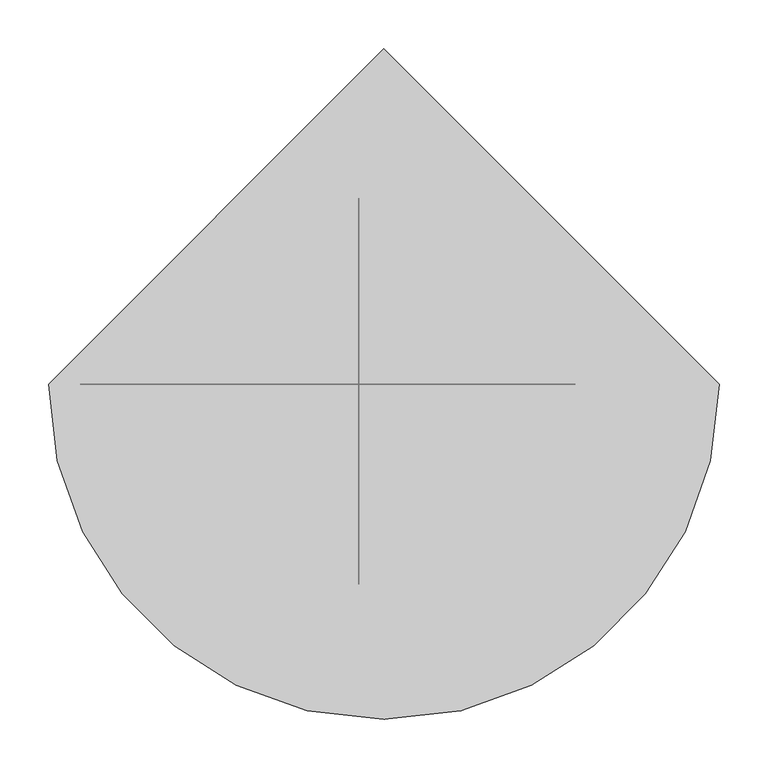
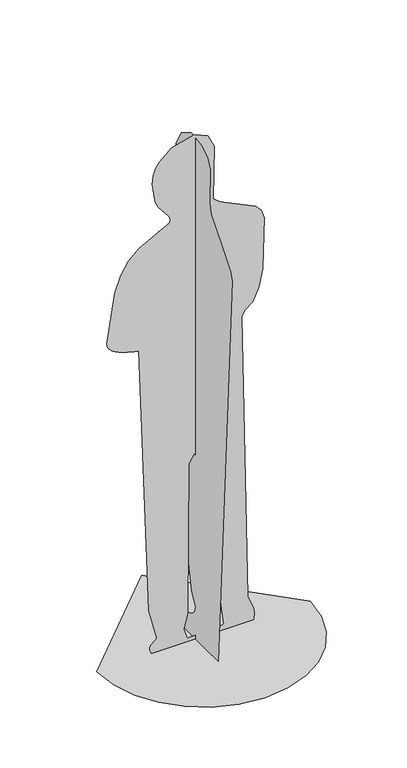
"""IFC4 building model written with IfcOpenShell, lengths in millimetres: proxy geometry."""

from ifc_helpers import new_model, si_unit, origin, place, context, project, spatial, triangles, source, transform, mapped, element, save


def entourage_b993872a(model_context):
    return source(origin(), model_context, "Body", "Tessellation", [
        triangles([(-345.573347, 0.0, 0.0), (-336.4374584, -79.1825669, 0.0), (-310.4187704, -151.8990767, 0.0), (-269.6004589, -216.0661539, 0.0), (-216.066172, -269.6005134, 0.0), (-151.8990404, -310.4186977, 0.0), (-79.1825214, -336.4374584, 0.0), (1.51e-05, -345.573347, 0.0), (79.1825669, -336.4374948, 0.0), (151.8990949, -310.4187704, 0.0), (216.066172, -269.6004589, 0.0), (269.6005497, -216.066172, 0.0), (310.4187341, -151.8990313, 0.0), (336.4374584, -79.1825124, 0.0), (345.573347, 3.02e-05, 0.0), (-4.53e-05, 345.573347, 0.0), (-25.7803736, -206.1899217, 1348.8143269), (-25.7803736, -197.5854142, 1374.9574986), (-25.7803736, -143.9298684, 1440.4184738), (-25.7803736, -88.05202, 1504.3168991), (-25.7803736, -79.0557759, 1537.7609333), (-25.7803736, -83.3728907, 1655.4473545), (-25.7803736, -70.0857384, 1687.5613827), (-25.7803736, -36.8546999, 1709.6673008), (-25.7803736, 23.8686421, 1717.8960136), (-25.7803736, 79.9019452, 1684.0297668), (-25.7803736, 106.2360118, 1634.142841), (-25.7803736, 109.3286011, 1576.3380844), (-25.7803736, 95.6374854, 1518.7182003), (-25.7803736, 71.6205057, 1469.3866184), (-25.7803736, 43.7353846, 1436.4461872), (-25.7803736, 18.4399412, 1427.9996098), (-25.7803736, 12.9047435, 1418.4009224), (-25.7803736, 17.9030508, 1403.9010807), (-25.7803736, 100.3159608, 1305.1854492), (-25.7803736, 139.842309, 1319.3020294), (-25.7803736, 147.315572, 1313.5249111), (-25.7803736, 153.4762243, 1298.3658073), (-25.7803736, 159.5451307, 1229.1764259), (-25.7803736, 155.9178449, 1209.0693684), (-25.7803736, 148.7092278, 1195.8703194), (-25.7803736, 191.504826, 912.7647074), (-25.7803736, 185.9814895, 822.2163826), (-25.7803736, 168.0754422, 726.4065331), (-25.7803736, 163.1485263, 723.9994125), (-25.7803736, 157.8331894, 724.046212), (-25.7803736, 131.3724045, 737.6998117), (-25.7803736, 21.4175676, 149.8942845), (-25.7803736, -1.3232623, 110.9246065), (-25.7803736, 4.0590821, 90.9092766), (-25.7803736, 18.2062163, 77.7815623), (-25.7803736, 83.2378789, 46.7363551), (-25.7803736, 102.4456818, 28.1714091), (-25.7803736, 115.4190178, 0.0001939), (-25.7803736, -127.8900771, 0.0001939), (-47.668225, 5.01e-05, 607.395011), (-50.5685567, 7.96e-05, 98.4131154), (-63.1405001, 8.25e-05, 45.9886764), (-51.8472486, 8.45e-05, 12.1089243), (63.7440288, 8.33e-05, 17.5652989), (66.5309181, 8.31e-05, 21.3655654), (-8.22783, 5.05e-05, 609.0642042), (-29.2607458, 4.73e-05, 636.0607395), (-172.7834033, 8.44e-05, 13.4467617), (-173.6617109, 8.39e-05, 22.9478612), (-170.9382761, 8.35e-05, 29.5787927), (-154.6520064, 8.27e-05, 43.0000098), (-151.0160274, 8.23e-05, 48.9000357), (-176.6023381, 7.63e-05, 150.4511818), (-208.3970726, 2.09e-05, 1050.4172064), (-216.4833159, 2.08e-05, 1051.9028715), (-226.3936303, 2.06e-05, 1053.8485376), (-237.6115502, 2.05e-05, 1056.3366125), (-249.6204648, 2.03e-05, 1059.4495039), (-261.9039628, 2.01e-05, 1063.2695469), (-273.9453971, 1.99e-05, 1067.8787132), (-285.2283385, 1.97e-05, 1073.359774), (-292.7746439, 1.95e-05, 1078.0174839), (-299.4165532, 1.93e-05, 1083.2290844), (-304.9457397, 1.92e-05, 1089.0280037), (-309.153804, 1.9e-05, 1095.4471613), (-311.8326013, 1.88e-05, 1102.5199127), (-312.7735322, 1.87e-05, 1110.2793228), (-311.7683973, 1.85e-05, 1118.7586744), (-286.8268601, 1.73e-05, 1275.1938206), (-267.1757704, 1.34e-05, 1328.1950912), (-240.9454674, 8.5e-06, 1369.0351856), (-206.7918653, 3.8e-06, 1401.2013908), (-109.3375122, -1e-06, 1453.4608463), (-107.2219437, -2e-06, 1465.629871), (-111.9357548, -3.4e-06, 1476.907235), (-145.569285, -7.6e-06, 1518.8289494), (-156.1163429, -8.3e-06, 1539.9796932), (-165.8143157, -1.06e-05, 1603.8827694), (-162.294218, -1.25e-05, 1633.2787949), (-153.7864343, -1.38e-05, 1656.3035522), (-141.8869607, -1.48e-05, 1674.1126396), (-101.7988372, -1.66e-05, 1707.8047691), (-29.8635455, -1.51e-05, 1727.2009689), (13.7644703, -1.3e-05, 1708.5707108), (35.5195934, -1.05e-05, 1664.4872097), (32.4991904, -3.3e-06, 1485.0831894), (52.4866627, -2.3e-06, 1467.9137432), (169.1694524, 1.1e-06, 1411.6134007), (187.957786, 2.2e-06, 1392.5317165), (197.4324257, 4e-06, 1363.4765133), (192.0198382, 1.43e-05, 1189.9507679), (178.7208135, 1.78e-05, 1132.0750854), (159.5662232, 2.03e-05, 1088.5586283), (134.4913366, 2.16e-05, 1068.027396), (124.9301742, 2.55e-05, 1049.9814045), (143.8918983, 8.04e-05, 86.7554513), (162.7831417, 8.38e-05, 38.1705353), (165.3514624, 8.45e-05, 22.7356785), (163.2784421, 8.52e-05, 0.0004369), (-166.9539263, 8.52e-05, 0.0004369)], [[15, 16, 1], [14, 15, 1], [14, 1, 2], [13, 14, 2], [13, 2, 3], [13, 3, 4], [12, 13, 4], [11, 12, 4], [11, 4, 5], [11, 5, 6], [11, 6, 7], [11, 7, 8], [11, 8, 9], [11, 9, 10], [53, 54, 55], [52, 53, 55], [51, 52, 55], [50, 51, 55], [49, 50, 55], [48, 49, 55], [47, 48, 55], [47, 55, 17], [35, 36, 37], [35, 37, 38], [35, 38, 39], [43, 44, 45], [43, 45, 46], [43, 46, 47], [43, 47, 17], [42, 43, 17], [41, 42, 17], [41, 17, 18], [41, 18, 19], [40, 41, 19], [39, 40, 19], [35, 39, 19], [34, 35, 19], [33, 34, 19], [33, 19, 20], [32, 33, 20], [32, 20, 21], [31, 32, 21], [30, 31, 21], [29, 30, 21], [28, 29, 21], [27, 28, 21], [26, 27, 21], [25, 26, 21], [24, 25, 21], [24, 21, 22], [23, 24, 22], [114, 115, 116], [57, 58, 68], [57, 68, 69], [56, 57, 69], [56, 69, 70], [63, 56, 70], [68, 58, 59], [67, 68, 59], [66, 67, 59], [65, 66, 59], [64, 65, 59], [116, 64, 59], [99, 100, 101], [98, 99, 101], [97, 98, 101], [96, 97, 101], [95, 96, 101], [94, 95, 101], [93, 94, 101], [92, 93, 101], [91, 92, 101], [91, 101, 102], [90, 91, 102], [89, 90, 102], [89, 102, 103], [108, 109, 110], [104, 105, 106], [103, 104, 106], [89, 103, 106], [89, 106, 107], [89, 107, 108], [89, 108, 110], [88, 89, 110], [87, 88, 110], [86, 87, 110], [85, 86, 110], [84, 85, 110], [84, 110, 111], [83, 84, 111], [82, 83, 111], [81, 82, 111], [80, 81, 111], [79, 80, 111], [78, 79, 111], [77, 78, 111], [76, 77, 111], [75, 76, 111], [74, 75, 111], [73, 74, 111], [72, 73, 111], [71, 72, 111], [70, 71, 111], [63, 70, 111], [62, 63, 111], [61, 62, 111], [61, 111, 112], [61, 112, 113], [61, 113, 114], [60, 61, 114], [60, 114, 116], [60, 116, 59]], closed=False),
    ])


if __name__ == "__main__":
    model = new_model("IFC4")
    model_context = context("Model", 3, world=origin())
    ifc_project = project(units=[si_unit("LENGTHUNIT", "METRE", prefix="MILLI")], contexts=[model_context])
    site = spatial("IfcSite", under=ifc_project)
    building = spatial("IfcBuilding", under=site)
    placement = place(None, origin())
    entourage_shape = entourage_b993872a(model_context)
    element("IfcBuildingElementProxy", 1, Name="Entourage", at=placement, inside=building, context=model_context, shape_type="MappedRepresentation", body=[
        mapped(entourage_shape, transform((0.0, 0.0, 0.0), x_axis=(1.0, 0.0, 0.0), y_axis=(0.0, 1.0, 0.0), z_axis=(0.0, 0.0, 1.0))),
    ])
    save(model, "model.ifc")
